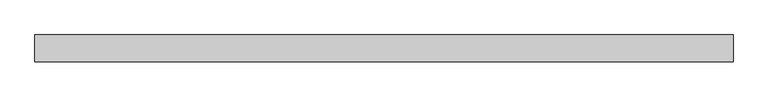
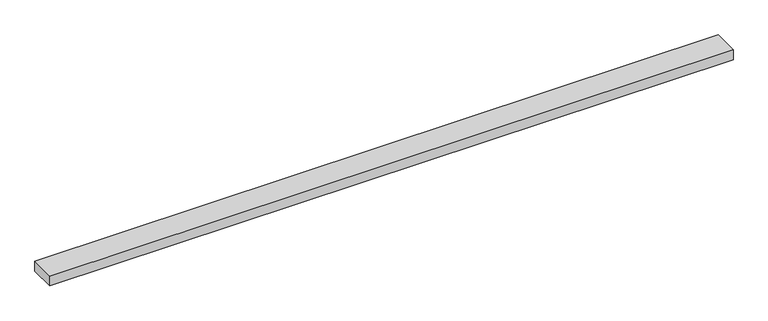
"""IFC4 building model written with IfcOpenShell, lengths in millimetres: beam geometry."""

from ifc_helpers import new_model, si_unit, frame, origin, place, context, project, spatial, polyline, outline, extrude, source, transform, mapped, element, save


def beam_ea9a7df6(model_context):
    return source(origin(), model_context, "Body", "SweptSolid", [
        extrude(outline(polyline([(-915.0, -35.0), (-915.0, 35.0), (915.0, 35.0), (915.0, -35.0), (-915.0, -35.0)])), frame((0.0, 0.0, -14.0), z_axis=(0.0, 0.0, 1.0), x_axis=(1.0, 0.0, 0.0)), (0.0, 0.0, 1.0), 28.0),
    ])


if __name__ == "__main__":
    model = new_model("IFC4")
    model_context = context("Model", 3, world=origin())
    ifc_project = project(units=[si_unit("LENGTHUNIT", "METRE", prefix="MILLI")], contexts=[model_context])
    site = spatial("IfcSite", under=ifc_project)
    building = spatial("IfcBuilding", under=site)
    placement = place(None, origin())
    beam_shape = beam_ea9a7df6(model_context)
    element("IfcBeam", 1, at=placement, inside=building, context=model_context, shape_type="MappedRepresentation", body=[
        mapped(beam_shape, transform((0.0, 0.0, 0.0), x_axis=(1.0, 0.0, 0.0), y_axis=(0.0, 1.0, 0.0), z_axis=(0.0, 0.0, 1.0))),
    ])
    save(model, "model.ifc")
